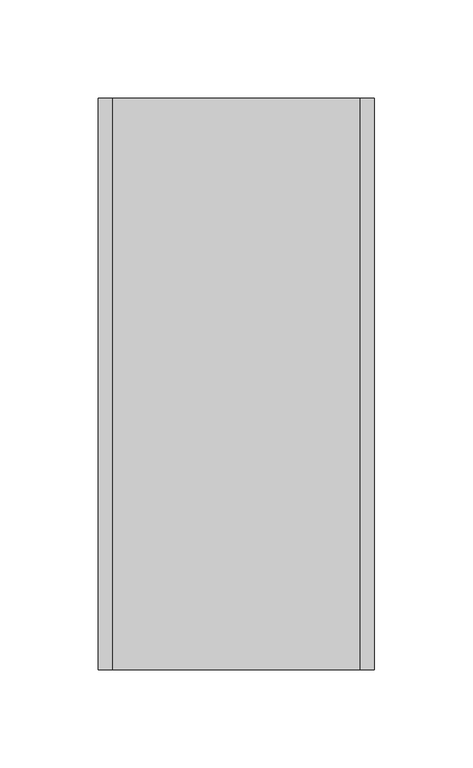
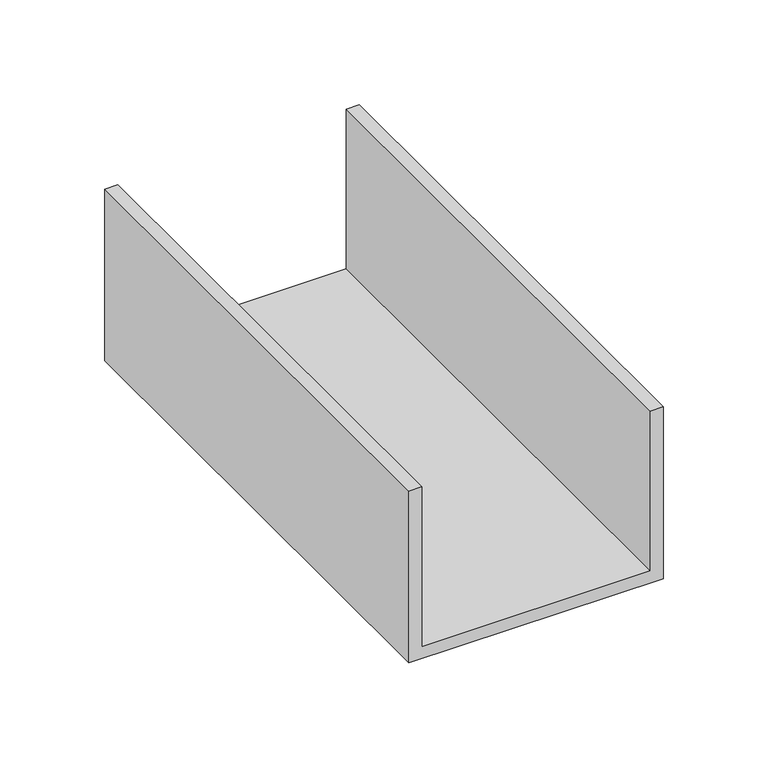
"""IFC4 building model written with IfcOpenShell, lengths in millimetres: proxy geometry."""

from ifc_helpers import new_model, si_unit, frame, origin, place, context, project, spatial, polyline, outline, extrude, source, transform, mapped, element, save


def generic_models_e4581d9c(model_context):
    return source(origin(), model_context, "Body", "SweptSolid", [
        extrude(outline(polyline([(0.0, 140.0), (100.0, 140.0), (100.0, 133.0), (7.0, 133.0), (7.0, 7.0), (100.0, 7.0), (100.0, 0.0), (0.0, 0.0), (0.0, 140.0)])), frame((0.0, 0.0, 0.0), z_axis=(0.0, 1.0, 0.0), x_axis=(0.0, 0.0, 1.0)), (0.0, 0.0, 1.0), 290.0),
    ])


if __name__ == "__main__":
    model = new_model("IFC4")
    model_context = context("Model", 3, world=origin())
    ifc_project = project(units=[si_unit("LENGTHUNIT", "METRE", prefix="MILLI")], contexts=[model_context])
    site = spatial("IfcSite", under=ifc_project)
    building = spatial("IfcBuilding", under=site)
    placement = place(None, origin())
    generic_models_shape = generic_models_e4581d9c(model_context)
    element("IfcBuildingElementProxy", 1, Name="Generic Models", at=placement, inside=building, context=model_context, shape_type="MappedRepresentation", body=[
        mapped(generic_models_shape, transform((0.0, 0.0, 0.0), x_axis=(1.0, 0.0, 0.0), y_axis=(0.0, 1.0, 0.0), z_axis=(0.0, 0.0, 1.0))),
    ])
    save(model, "model.ifc")
